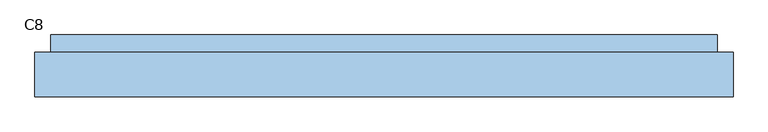
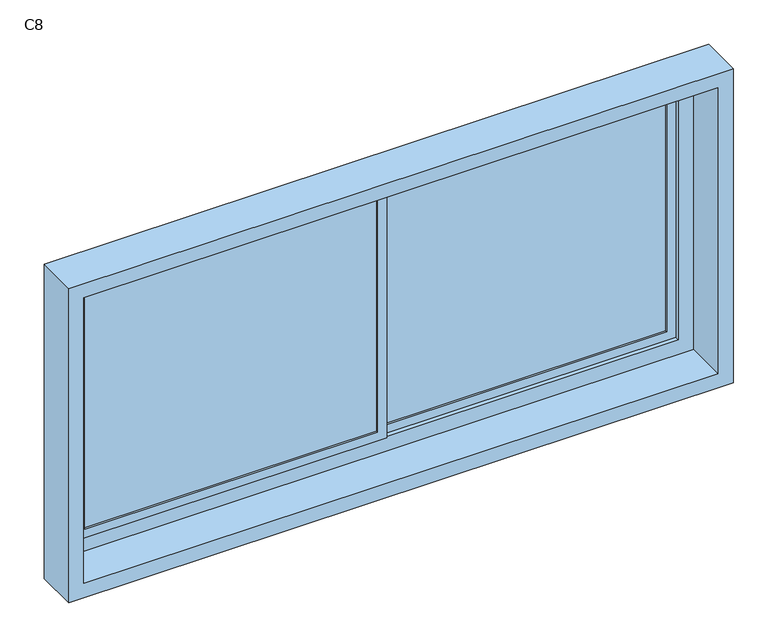
"""IFC4 building model written with IfcOpenShell, lengths in millimetres: window geometry, C8."""

from ifc_helpers import new_model, si_unit, frame, origin, place, context, project, spatial, polyline, outline, extrude, source, transform, mapped, element, save


def c8_1bedb921(model_context):
    return source(origin(), model_context, "Body", "SweptSolid", [
        extrude(outline(polyline([(0.0, -13.0), (-970.0, -13.0), (-970.0, -7.0), (0.0, -7.0), (0.0, -13.0)])), frame((0.0, 0.0, 880.0), z_axis=(0.0, 0.0, 1.0), x_axis=(1.0, 0.0, 0.0)), (0.0, 0.0, 1.0), 840.0),
        extrude(outline(polyline([(970.0, 7.0), (30.0, 7.0), (30.0, 13.0), (970.0, 13.0), (970.0, 7.0)])), frame((0.0, 0.0, 880.0), z_axis=(0.0, 0.0, 1.0), x_axis=(1.0, 0.0, 0.0)), (0.0, 0.0, 1.0), 840.0),
        extrude(outline(polyline([(1750.0, 0.0), (850.0, 0.0), (850.0, 1000.0), (1750.0, 1000.0), (1750.0, 0.0)]), holes=[polyline([(1720.0, 970.0), (880.0, 970.0), (880.0, 30.0), (1720.0, 30.0), (1720.0, 970.0)])]), frame((0.0, 0.0, 0.0), z_axis=(0.0, 1.0, 0.0), x_axis=(0.0, 0.0, 1.0)), (0.0, 0.0, 1.0), 20.0),
        extrude(outline(polyline([(1750.0, -1000.0), (850.0, -1000.0), (850.0, 30.0), (1750.0, 30.0), (1750.0, -1000.0)]), holes=[polyline([(1720.0, 0.0), (880.0, 0.0), (880.0, -970.0), (1720.0, -970.0), (1720.0, 0.0)])]), frame((0.0, -20.0, 0.0), z_axis=(0.0, 1.0, 0.0), x_axis=(0.0, 0.0, 1.0)), (0.0, 0.0, 1.0), 20.0),
        extrude(outline(polyline([(1800.0, -1050.0), (800.0, -1050.0), (800.0, 1050.0), (1800.0, 1050.0), (1800.0, -1050.0)]), holes=[polyline([(1750.0, 1000.0), (850.0, 1000.0), (850.0, -1000.0), (1750.0, -1000.0), (1750.0, 1000.0)])]), frame((0.0, -15.0, 0.0), z_axis=(0.0, 1.0, 0.0), x_axis=(0.0, 0.0, 1.0)), (0.0, 0.0, 1.0), 55.0),
        extrude(outline(polyline([(1850.0, -1100.0), (750.0, -1100.0), (750.0, 1100.0), (1850.0, 1100.0), (1850.0, -1100.0)]), holes=[polyline([(1800.0, 1050.0), (800.0, 1050.0), (800.0, -1050.0), (1800.0, -1050.0), (1800.0, 1050.0)])]), frame((0.0, -155.0, 0.0), z_axis=(0.0, 1.0, 0.0), x_axis=(0.0, 0.0, 1.0)), (0.0, 0.0, 1.0), 140.0),
    ])


if __name__ == "__main__":
    model = new_model("IFC4")
    model_context = context("Model", 3, world=origin())
    ifc_project = project(units=[si_unit("LENGTHUNIT", "METRE", prefix="MILLI")], contexts=[model_context])
    site = spatial("IfcSite", under=ifc_project)
    building = spatial("IfcBuilding", under=site)
    placement = place(None, origin())
    c8_shape = c8_1bedb921(model_context)
    element("IfcWindow", 1, ObjectType="C8", at=placement, inside=building, context=model_context, shape_type="MappedRepresentation", body=[
        mapped(c8_shape, transform((0.0, 0.0, 0.0), x_axis=(1.0, 0.0, 0.0), y_axis=(0.0, 1.0, 0.0), z_axis=(0.0, 0.0, 1.0))),
    ])
    save(model, "model.ifc")
